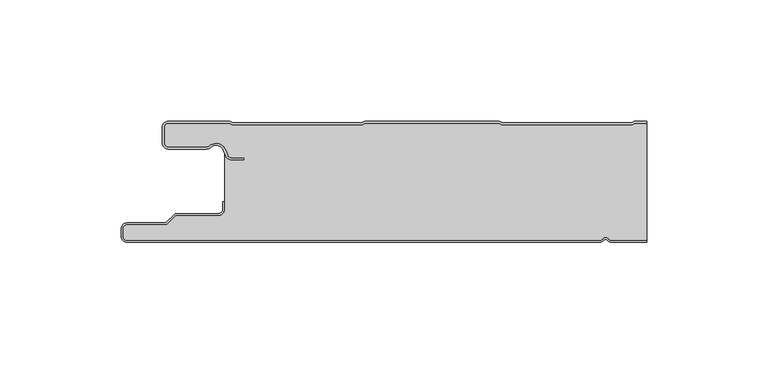
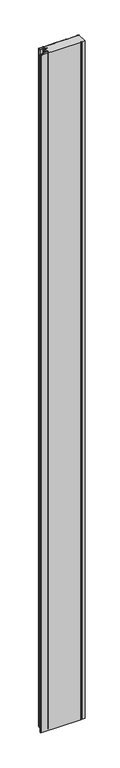
"""IFC4 building model written with IfcOpenShell, lengths in millimetres: plate geometry."""

from ifc_helpers import new_model, si_unit, point, frame_2d, origin, origin_with_axes, place, context, project, spatial, polyline, circle_curve, trimmed, segment, composite_curve, outline, extrude, source, transform, mapped, element, save


def plate_8bb13dbf(model_context):
    return source(origin(), model_context, "Body", "SweptSolid", [
        extrude(outline(composite_curve([segment(trimmed(circle_curve(frame_2d((-97.49499, -9.0180361)), 2.50501), [point((-97.49499, -11.5230461))], [point((-100.0, -9.0180361))], False, "CARTESIAN"), True, "CONTINUOUS"), segment(polyline([(-100.0, -9.0180361), (-100.0, -2.50501)]), True, "CONTINUOUS"), segment(trimmed(circle_curve(frame_2d((-97.49499, -2.50501)), 2.50501), [point((-100.0, -2.50501))], [point((-97.49499, 0.0))], False, "CARTESIAN"), True, "CONTINUOUS"), segment(polyline([(-97.49499, 0.0), (-72.2103007, 0.0), (-71.028188, -0.6012024), (-17.6391467, -0.6012024), (-16.457034, 0.0), (39.1223647, 0.0), (40.3044773, -0.6012024), (93.6935186, -0.6012024), (94.8756313, 0.0), (100.0, 0.0), (100.0, -0.8), (95.0673777, -0.8), (93.885265, -1.4012024), (40.112731, -1.4012024), (38.9306183, -0.8), (-16.2652876, -0.8), (-17.4474003, -1.4012024), (-71.2199344, -1.4012024), (-72.4020471, -0.8), (-97.49499, -0.8)]), True, "CONTINUOUS"), segment(trimmed(circle_curve(frame_2d((-97.49499, -2.50501)), 1.70501), [point((-97.49499, -0.8))], [point((-99.2, -2.50501))], True, "CARTESIAN"), True, "CONTINUOUS"), segment(polyline([(-99.2, -2.50501), (-99.2, -9.0180361)]), True, "CONTINUOUS"), segment(trimmed(circle_curve(frame_2d((-97.49499, -9.0180361)), 1.70501), [point((-99.2, -9.0180361))], [point((-97.49499, -10.7230461))], True, "CARTESIAN"), True, "CONTINUOUS"), segment(polyline([(-97.49499, -10.7230461), (-81.8173283, -10.7230461)]), True, "CONTINUOUS"), segment(trimmed(circle_curve(frame_2d((-81.8173283, -9.0180361)), 1.70501), [point((-81.8173283, -10.7230461))], [point((-80.6895701, -10.2967936))], True, "CARTESIAN"), True, "CONTINUOUS"), segment(trimmed(circle_curve(frame_2d((-77.8407481, -13.5270541)), 4.307014), [point((-80.6895701, -10.2967936))], [point((-73.7934788, -12.0539686))], False, "CARTESIAN"), True, "CONTINUOUS"), segment(polyline([(-73.7934788, -12.0539686), (-73.0450711, -14.1102019)]), True, "CONTINUOUS"), segment(trimmed(circle_curve(frame_2d((-71.4428858, -13.5270541)), 1.70501), [point((-73.0450711, -14.1102019))], [point((-71.4428858, -15.2320641))], True, "CARTESIAN"), True, "CONTINUOUS"), segment(polyline([(-71.4428858, -15.2320641), (-66.4328657, -15.2320641), (-66.4328657, -16.0320641), (-71.4428858, -16.0320641)]), True, "CONTINUOUS"), segment(trimmed(circle_curve(frame_2d((-71.4428858, -13.5270541)), 2.50501), [point((-71.4428858, -16.0320641))], [point((-73.7968252, -14.383818))], False, "CARTESIAN"), True, "CONTINUOUS"), segment(polyline([(-73.7968252, -14.383818), (-74.5452329, -12.3275847)]), True, "CONTINUOUS"), segment(trimmed(circle_curve(frame_2d((-77.8407481, -13.5270541)), 3.507014), [point((-74.5452329, -12.3275847))], [point((-80.1604199, -10.8967936))], True, "CARTESIAN"), True, "CONTINUOUS"), segment(trimmed(circle_curve(frame_2d((-81.8173283, -9.0180361)), 2.50501), [point((-80.1604199, -10.8967936))], [point((-81.8173283, -11.5230461))], False, "CARTESIAN"), True, "CONTINUOUS"), segment(polyline([(-81.8173283, -11.5230461), (-97.49499, -11.5230461)]), True, "CONTINUOUS")], self_intersect=False)), origin_with_axes(), (0.0, 0.0, 1.0), 3500.0),
        extrude(outline(composite_curve([segment(trimmed(circle_curve(frame_2d((85.5, -47.5)), 1.7), [point((85.5, -49.2))], [point((84.0845596, -48.4415563))], False, "CARTESIAN"), True, "CONTINUOUS"), segment(trimmed(circle_curve(frame_2d((83.0, -49.1630095)), 1.302599), [point((84.0845596, -48.4415563))], [point((81.9154404, -48.4415563))], True, "CARTESIAN"), True, "CONTINUOUS"), segment(trimmed(circle_curve(frame_2d((80.5, -47.5)), 1.7), [point((81.9154404, -48.4415563))], [point((80.5, -49.2))], False, "CARTESIAN"), True, "CONTINUOUS"), segment(polyline([(80.5, -49.2), (-114.5, -49.2)]), True, "CONTINUOUS"), segment(trimmed(circle_curve(frame_2d((-114.5, -47.5)), 1.7), [point((-114.5, -49.2))], [point((-116.2, -47.5))], False, "CARTESIAN"), True, "CONTINUOUS"), segment(polyline([(-116.2, -47.5), (-116.2, -44.5)]), True, "CONTINUOUS"), segment(trimmed(circle_curve(frame_2d((-114.5, -44.5)), 1.7), [point((-116.2, -44.5))], [point((-114.5, -42.8))], False, "CARTESIAN"), True, "CONTINUOUS"), segment(polyline([(-114.5, -42.8), (-98.1686292, -42.8), (-94.4186292, -39.05), (-77.0, -39.05)]), True, "CONTINUOUS"), segment(trimmed(circle_curve(frame_2d((-77.0, -36.25)), 2.8), [point((-77.0, -39.05))], [point((-74.2, -36.25))], True, "CARTESIAN"), True, "CONTINUOUS"), segment(polyline([(-74.2, -36.25), (-74.2, -11.2258973)]), True, "CONTINUOUS"), segment(trimmed(circle_curve(frame_2d((-77.8407481, -13.5270541)), 4.307014), [point((-74.2, -11.2258973))], [point((-80.6895701, -10.2967936))], True, "CARTESIAN"), True, "CONTINUOUS"), segment(trimmed(circle_curve(frame_2d((-81.8173283, -9.0180361)), 1.70501), [point((-80.6895701, -10.2967936))], [point((-81.8173283, -10.7230461))], False, "CARTESIAN"), True, "CONTINUOUS"), segment(polyline([(-81.8173283, -10.7230461), (-97.49499, -10.7230461)]), True, "CONTINUOUS"), segment(trimmed(circle_curve(frame_2d((-97.49499, -9.0180361)), 1.70501), [point((-97.49499, -10.7230461))], [point((-99.2, -9.0180361))], False, "CARTESIAN"), True, "CONTINUOUS"), segment(polyline([(-99.2, -9.0180361), (-99.2, -2.50501)]), True, "CONTINUOUS"), segment(trimmed(circle_curve(frame_2d((-97.49499, -2.50501)), 1.70501), [point((-99.2, -2.50501))], [point((-97.49499, -0.8))], False, "CARTESIAN"), True, "CONTINUOUS"), segment(polyline([(-97.49499, -0.8), (-72.4020471, -0.8), (-71.2199344, -1.4012024), (-17.4474003, -1.4012024), (-16.2652876, -0.8), (38.9306183, -0.8), (40.112731, -1.4012024), (93.885265, -1.4012024), (95.0673777, -0.8), (100.0, -0.8), (100.0, -49.2), (85.5, -49.2)]), True, "CONTINUOUS")], self_intersect=False)), origin_with_axes(), (0.0, 0.0, 1.0), 3500.0),
        extrude(outline(composite_curve([segment(polyline([(80.5, -50.0), (-114.5, -50.0)]), True, "CONTINUOUS"), segment(trimmed(circle_curve(frame_2d((-114.5, -47.5)), 2.5), [point((-114.5, -50.0))], [point((-117.0, -47.5))], False, "CARTESIAN"), True, "CONTINUOUS"), segment(polyline([(-117.0, -47.5), (-117.0, -44.5)]), True, "CONTINUOUS"), segment(trimmed(circle_curve(frame_2d((-114.5, -44.5)), 2.5), [point((-117.0, -44.5))], [point((-114.5, -42.0))], False, "CARTESIAN"), True, "CONTINUOUS"), segment(polyline([(-114.5, -42.0), (-98.5, -42.0), (-94.75, -38.25), (-77.0, -38.25)]), True, "CONTINUOUS"), segment(trimmed(circle_curve(frame_2d((-77.0, -36.25)), 2.0), [point((-77.0, -38.25))], [point((-75.0, -36.25))], True, "CARTESIAN"), True, "CONTINUOUS"), segment(polyline([(-75.0, -36.25), (-75.0, -33.25), (-74.2, -33.25), (-74.2, -36.25)]), True, "CONTINUOUS"), segment(trimmed(circle_curve(frame_2d((-77.0, -36.25)), 2.8), [point((-74.2, -36.25))], [point((-77.0, -39.05))], False, "CARTESIAN"), True, "CONTINUOUS"), segment(polyline([(-77.0, -39.05), (-94.4186292, -39.05), (-98.1686292, -42.8), (-114.5, -42.8)]), True, "CONTINUOUS"), segment(trimmed(circle_curve(frame_2d((-114.5, -44.5)), 1.7), [point((-114.5, -42.8))], [point((-116.2, -44.5))], True, "CARTESIAN"), True, "CONTINUOUS"), segment(polyline([(-116.2, -44.5), (-116.2, -47.5)]), True, "CONTINUOUS"), segment(trimmed(circle_curve(frame_2d((-114.5, -47.5)), 1.7), [point((-116.2, -47.5))], [point((-114.5, -49.2))], True, "CARTESIAN"), True, "CONTINUOUS"), segment(polyline([(-114.5, -49.2), (80.5, -49.2)]), True, "CONTINUOUS"), segment(trimmed(circle_curve(frame_2d((80.5, -47.5)), 1.7), [point((80.5, -49.2))], [point((81.9154404, -48.4415563))], True, "CARTESIAN"), True, "CONTINUOUS"), segment(trimmed(circle_curve(frame_2d((83.0, -49.1630095)), 1.302599), [point((81.9154404, -48.4415563))], [point((84.0845596, -48.4415563))], False, "CARTESIAN"), True, "CONTINUOUS"), segment(trimmed(circle_curve(frame_2d((85.5, -47.5)), 1.7), [point((84.0845596, -48.4415563))], [point((85.5, -49.2))], True, "CARTESIAN"), True, "CONTINUOUS"), segment(polyline([(85.5, -49.2), (100.0, -49.2), (100.0, -50.0), (85.5, -50.0)]), True, "CONTINUOUS"), segment(trimmed(circle_curve(frame_2d((85.5, -47.5)), 2.5), [point((85.5, -50.0))], [point((83.4184699, -48.8846417))], False, "CARTESIAN"), True, "CONTINUOUS"), segment(trimmed(circle_curve(frame_2d((83.0, -49.1630095)), 0.502599), [point((83.4184699, -48.8846417))], [point((82.5815301, -48.8846417))], True, "CARTESIAN"), True, "CONTINUOUS"), segment(trimmed(circle_curve(frame_2d((80.5, -47.5)), 2.5), [point((82.5815301, -48.8846417))], [point((80.5, -50.0))], False, "CARTESIAN"), True, "CONTINUOUS")], self_intersect=False)), origin_with_axes(), (0.0, 0.0, 1.0), 3500.0),
    ])


if __name__ == "__main__":
    model = new_model("IFC4")
    model_context = context("Model", 3, world=origin())
    ifc_project = project(units=[si_unit("LENGTHUNIT", "METRE", prefix="MILLI")], contexts=[model_context])
    site = spatial("IfcSite", under=ifc_project)
    building = spatial("IfcBuilding", under=site)
    placement = place(None, origin())
    plate_shape = plate_8bb13dbf(model_context)
    element("IfcPlate", 1, at=placement, inside=building, context=model_context, shape_type="MappedRepresentation", body=[
        mapped(plate_shape, transform((0.0, 0.0, 0.0), x_axis=(1.0, 0.0, 0.0), y_axis=(0.0, 1.0, 0.0), z_axis=(0.0, 0.0, 1.0))),
    ])
    save(model, "model.ifc")
